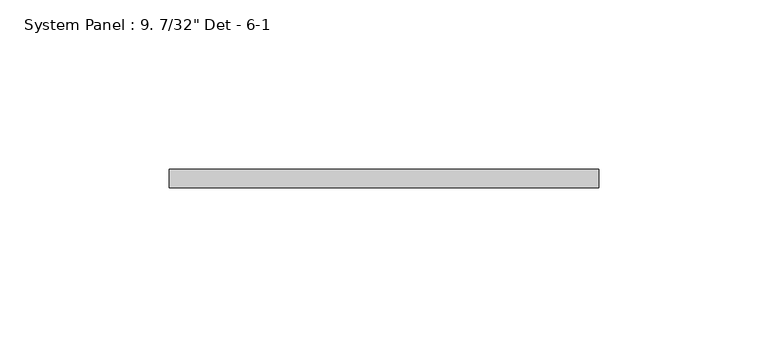
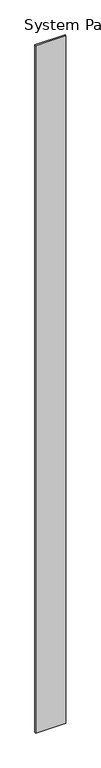
"""IFC4 building model written with IfcOpenShell, lengths in millimetres: plate geometry."""

import ifcopenshell
import ifcopenshell.guid

model = None  # the IFC model being written
_history = None  # IfcOwnerHistory: only IFC2X3 demands one
_inside = {}  # id of a spatial element -> (the spatial element, [elements in it])
_under = {}  # id of a project, library or spatial element -> (it, [spatial elements below it])
_declared = {}  # id of a project -> (the project, [libraries it declares])
_typed = {}  # id of a type object -> (the type object, [elements of that type])
_made_of = {}  # id of a material, layer set ... -> (it, [elements and type objects made of it])


def new_model(schema):
    """Start an empty IFC model of exactly this schema.

    Asked for "IFC4X3", IfcOpenShell would pick the latest addendum, in which some entities
    have other attributes; the version numbers below select the first issue.
    IFC2X3 requires an IfcOwnerHistory on every rooted entity: one is made here for all.
    """
    global model, _history
    if schema == "IFC4X3":
        model = ifcopenshell.file(schema_version=(4, 3, 0, 0))
    else:
        model = ifcopenshell.file(schema=schema)
    _inside.clear()
    _under.clear()
    _declared.clear()
    _typed.clear()
    _made_of.clear()
    _history = None
    if model.schema == "IFC2X3":
        org = make("IfcOrganization", Name="unknown")
        user = make(
            "IfcPersonAndOrganization",
            ThePerson=make("IfcPerson", FamilyName="unknown"),
            TheOrganization=org,
        )
        app = make(
            "IfcApplication",
            ApplicationDeveloper=org,
            Version="unknown",
            ApplicationFullName="unknown",
            ApplicationIdentifier="unknown",
        )
        _history = make(
            "IfcOwnerHistory",
            OwningUser=user,
            OwningApplication=app,
            ChangeAction="ADDED",
            CreationDate=0,
        )
    return model


def make(cls, **values):
    """One entity of the class cls with the attributes given. An attribute that is None is left unset."""
    return model.create_entity(
        cls, **{name: value for name, value in values.items() if value is not None}
    )


def rooted(cls, **values):
    """An entity with a GlobalId (a new one), such as an element, a storey or a relation."""
    return make(cls, GlobalId=ifcopenshell.guid.new(), OwnerHistory=_history, **values)


def si_unit(unit_type, name, prefix=None):
    """IfcSIUnit, for example si_unit("LENGTHUNIT", "METRE", prefix="MILLI")."""
    return make("IfcSIUnit", UnitType=unit_type, Prefix=prefix, Name=name)


def assignment(units):
    """IfcUnitAssignment: the units of a project."""
    return None if units is None else make("IfcUnitAssignment", Units=units)


def point(xyz):
    """IfcCartesianPoint."""
    return None if xyz is None else make("IfcCartesianPoint", Coordinates=xyz)


def direction(xyz):
    """IfcDirection."""
    return None if xyz is None else make("IfcDirection", DirectionRatios=xyz)


def frame(location, z_axis=None, x_axis=None):
    """IfcAxis2Placement3D, a coordinate frame: its origin and axes. An axis left out is left unset."""
    return make(
        "IfcAxis2Placement3D",
        Location=point(location),
        Axis=direction(z_axis),
        RefDirection=direction(x_axis),
    )


def origin():
    """The frame at (0, 0, 0) with its axes left unset."""
    return frame((0.0, 0.0, 0.0))


def origin_with_axes():
    """The frame at (0, 0, 0) with the z axis (0, 0, 1) and the x axis (1, 0, 0) written out."""
    return frame((0.0, 0.0, 0.0), z_axis=(0.0, 0.0, 1.0), x_axis=(1.0, 0.0, 0.0))


def place(relative_to, where):
    """IfcLocalPlacement: puts the frame where relative to a parent placement (None: the world)."""
    return make(
        "IfcLocalPlacement", PlacementRelTo=relative_to, RelativePlacement=where
    )


def context(
    kind, dimensions, precision=None, world=None, true_north=None, identifier=None
):
    """IfcGeometricRepresentationContext, for example the 3D "Model" context."""
    return make(
        "IfcGeometricRepresentationContext",
        ContextIdentifier=identifier,
        ContextType=kind,
        CoordinateSpaceDimension=dimensions,
        Precision=precision,
        WorldCoordinateSystem=world,
        TrueNorth=true_north,
    )


def project(units=None, contexts=None):
    """IfcProject with its units and contexts."""
    return rooted(
        "IfcProject",
        Name="project",
        RepresentationContexts=contexts,
        UnitsInContext=assignment(units),
    )


def spatial(cls, under=None, at=None, **own):
    """A site, building, storey or space (cls), placed at a placement, below another one or the project."""
    s = rooted(cls, ObjectPlacement=at, **own)
    if under is not None:
        _under.setdefault(under.id(), (under, []))[1].append(s)
    return s


def polyline(points):
    """IfcPolyline through the points."""
    return make("IfcPolyline", Points=[point(p) for p in points])


def outline(outer, holes=None, kind="AREA"):
    """IfcArbitraryClosedProfileDef: a profile drawn as a closed curve; with holes, ...WithVoids."""
    if holes is None:
        return make("IfcArbitraryClosedProfileDef", ProfileType=kind, OuterCurve=outer)
    return make(
        "IfcArbitraryProfileDefWithVoids",
        ProfileType=kind,
        OuterCurve=outer,
        InnerCurves=holes,
    )


def extrude(swept, where, along, depth):
    """IfcExtrudedAreaSolid: the profile swept, set in the frame where, extruded along a direction by depth."""
    return make(
        "IfcExtrudedAreaSolid",
        SweptArea=swept,
        Position=where,
        ExtrudedDirection=direction(along),
        Depth=depth,
    )


def shape(context_of_items, identifier, shape_type, items):
    """IfcShapeRepresentation: the items that make up one representation, for example the "Body"."""
    return make(
        "IfcShapeRepresentation",
        ContextOfItems=context_of_items,
        RepresentationIdentifier=identifier,
        RepresentationType=shape_type,
        Items=items,
    )


def source(mapping_origin, context_of_items, identifier, shape_type, items):
    """IfcRepresentationMap: a shape defined once, which mapped items show again and again."""
    return make(
        "IfcRepresentationMap",
        MappingOrigin=mapping_origin,
        MappedRepresentation=shape(context_of_items, identifier, shape_type, items),
    )


def transform(
    local_origin,
    x_axis=None,
    y_axis=None,
    z_axis=None,
    scale=None,
    scale2=None,
    scale3=None,
    uniform=True,
):
    """IfcCartesianTransformationOperator3D, or its non-uniform kind. x_axis, y_axis, z_axis: its Axis1, 2, 3."""
    if uniform:
        return make(
            "IfcCartesianTransformationOperator3D",
            Axis1=direction(x_axis),
            Axis2=direction(y_axis),
            LocalOrigin=point(local_origin),
            Scale=scale,
            Axis3=direction(z_axis),
        )
    return make(
        "IfcCartesianTransformationOperator3DnonUniform",
        Axis1=direction(x_axis),
        Axis2=direction(y_axis),
        LocalOrigin=point(local_origin),
        Scale=scale,
        Axis3=direction(z_axis),
        Scale2=scale2,
        Scale3=scale3,
    )


def mapped(mapping_source, mapping_target):
    """IfcMappedItem: shows the shape of a source again, moved by a transform."""
    return make(
        "IfcMappedItem", MappingSource=mapping_source, MappingTarget=mapping_target
    )


def made_of(thing, what):
    """Note that an element or type object is made of a material, layer set ...; save() writes the relation."""
    if what is not None:
        _made_of.setdefault(what.id(), (what, []))[1].append(thing)
    return thing


def element(
    cls,
    number,
    at=None,
    inside=None,
    cuts=None,
    type_object=None,
    material=None,
    context=None,
    identifier="Body",
    shape_type=None,
    held_by="IfcProductDefinitionShape",
    body=None,
    shapes=None,
    **own,
):
    """One element of the class cls, such as IfcWall. Its Tag is "e" and its number.

    at: its placement. inside: the storey or other place that contains it. cuts: it is an
    opening in that element (IfcRelVoidsElement). A single representation is given by context,
    identifier, shape_type and body (its items); several are given by shapes. held_by: the class
    of the entity that holds the representations. save() writes the other relations.
    """
    e = rooted(cls, Tag="e%d" % number, ObjectPlacement=at, **own)
    if body is not None:
        shapes = [shape(context, identifier, shape_type, body)]
    if shapes is not None:
        e.Representation = make(held_by, Representations=shapes)
    if inside is not None:
        _inside.setdefault(inside.id(), (inside, []))[1].append(e)
    if cuts is not None:
        rooted(
            "IfcRelVoidsElement", RelatingBuildingElement=cuts, RelatedOpeningElement=e
        )
    if type_object is not None:
        _typed.setdefault(type_object.id(), (type_object, []))[1].append(e)
    return made_of(e, material)


def aggregate(whole, parts):
    """IfcRelAggregates: a whole, such as a stair, and the parts it consists of."""
    return rooted("IfcRelAggregates", RelatingObject=whole, RelatedObjects=parts)


def save(model, path):
    """Write the relations noted so far, then the file.

    IfcRelAggregates (storeys below a building ...), IfcRelContainedInSpatialStructure (elements
    in a storey), IfcRelDefinesByType, IfcRelAssociatesMaterial and IfcRelDeclares: one each for
    every whole, place, type object, material and project.
    """
    for whole, parts in _under.values():
        aggregate(whole, parts)
    for where, things in _inside.values():
        rooted(
            "IfcRelContainedInSpatialStructure",
            RelatedElements=things,
            RelatingStructure=where,
        )
    for kind, things in _typed.values():
        rooted("IfcRelDefinesByType", RelatedObjects=things, RelatingType=kind)
    for what, things in _made_of.values():
        rooted("IfcRelAssociatesMaterial", RelatedObjects=things, RelatingMaterial=what)
    for by, libraries in _declared.values():
        rooted("IfcRelDeclares", RelatingContext=by, RelatedDefinitions=libraries)
    model.write(path)


def plate_e38e8dfc(model_context):
    return source(origin(), model_context, "Body", "SweptSolid", [
        extrude(outline(polyline([(63.5, -13.49375), (-63.5, -13.49375), (-63.5, -7.9375), (63.5, -7.9375), (63.5, -13.49375)])), origin_with_axes(), (0.0, 0.0, 1.0), 3048.0),
    ])


if __name__ == "__main__":
    model = new_model("IFC4")
    model_context = context("Model", 3, world=origin())
    ifc_project = project(units=[si_unit("LENGTHUNIT", "METRE", prefix="MILLI")], contexts=[model_context])
    site = spatial("IfcSite", under=ifc_project)
    building = spatial("IfcBuilding", under=site)
    placement = place(None, origin())
    plate_shape = plate_e38e8dfc(model_context)
    element("IfcPlate", 1, ObjectType="System Panel : 9. 7/32\" Det - 6-1", at=placement, inside=building, context=model_context, shape_type="MappedRepresentation", body=[
        mapped(plate_shape, transform((0.0, 0.0, 0.0), x_axis=(1.0, 0.0, 0.0), y_axis=(0.0, 1.0, 0.0), z_axis=(0.0, 0.0, 1.0))),
    ])
    save(model, "model.ifc")
